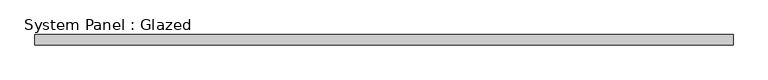
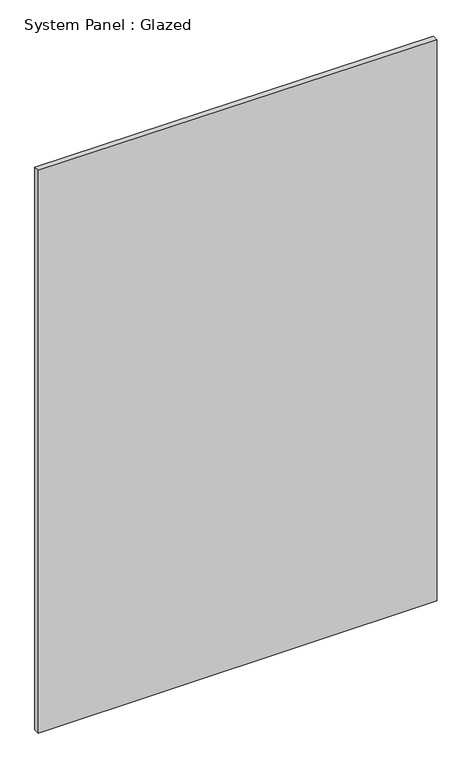
"""IFC4 building model written with IfcOpenShell, lengths in millimetres: plate geometry, System Panel : Glazed."""

from ifc_helpers import new_model, si_unit, frame, origin, place, context, project, spatial, polyline, outline, extrude, source, transform, mapped, element, save


def system_panel_glazed_3b67fc48(model_context):
    return source(origin(), model_context, "Body", "SweptSolid", [
        extrude(outline(polyline([(0.0, -850.9152691), (0.0, 850.9152691), (2530.8290808, 850.9152691), (2537.8412846, -850.9152691), (0.0, -850.9152691)])), frame((0.0, 19.05, 0.0), z_axis=(0.0, 1.0, 0.0), x_axis=(0.0, 0.0, 1.0)), (0.0, 0.0, 1.0), 25.4),
    ])


if __name__ == "__main__":
    model = new_model("IFC4")
    model_context = context("Model", 3, world=origin())
    ifc_project = project(units=[si_unit("LENGTHUNIT", "METRE", prefix="MILLI")], contexts=[model_context])
    site = spatial("IfcSite", under=ifc_project)
    building = spatial("IfcBuilding", under=site)
    placement = place(None, origin())
    system_panel_glazed_shape = system_panel_glazed_3b67fc48(model_context)
    element("IfcPlate", 1, ObjectType="System Panel : Glazed", at=placement, inside=building, context=model_context, shape_type="MappedRepresentation", body=[
        mapped(system_panel_glazed_shape, transform((0.0, 0.0, 0.0), x_axis=(1.0, 0.0, 0.0), y_axis=(0.0, 1.0, 0.0), z_axis=(0.0, 0.0, 1.0))),
    ])
    save(model, "model.ifc")
